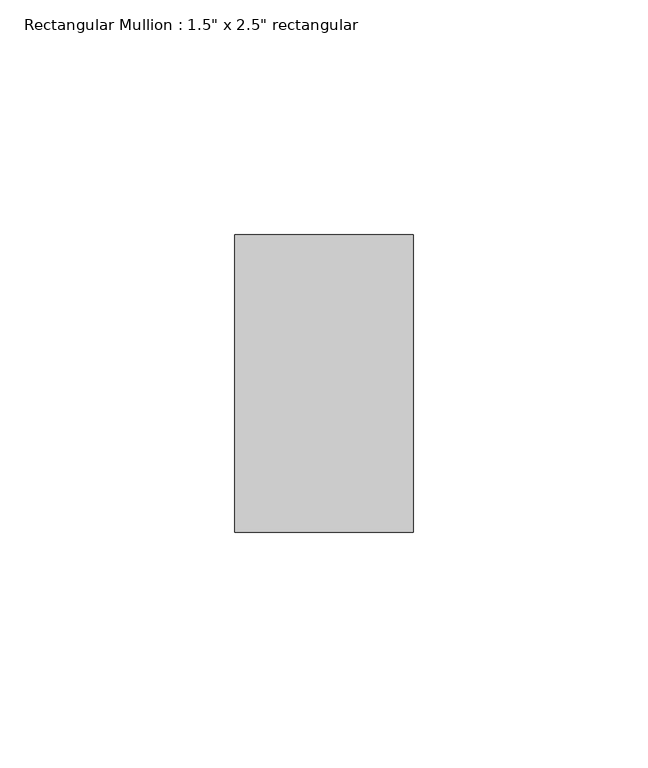
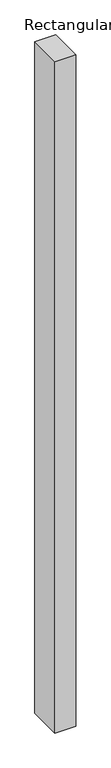
"""IFC4 building model written with IfcOpenShell, lengths in millimetres: member geometry."""

from ifc_helpers import new_model, si_unit, frame, origin, place, context, project, spatial, polyline, outline, extrude, source, transform, mapped, element, save


def member_80ee54ca(model_context):
    return source(origin(), model_context, "Body", "SweptSolid", [
        extrude(outline(polyline([(0.0, 31.75), (0.0, -31.75), (-38.1, -31.75), (-38.1, 31.75), (0.0, 31.75)])), frame((0.0, 0.0, -1295.4), z_axis=(0.0, 0.0, 1.0), x_axis=(1.0, 0.0, 0.0)), (0.0, 0.0, 1.0), 1295.4),
    ])


if __name__ == "__main__":
    model = new_model("IFC4")
    model_context = context("Model", 3, world=origin())
    ifc_project = project(units=[si_unit("LENGTHUNIT", "METRE", prefix="MILLI")], contexts=[model_context])
    site = spatial("IfcSite", under=ifc_project)
    building = spatial("IfcBuilding", under=site)
    placement = place(None, origin())
    member_shape = member_80ee54ca(model_context)
    element("IfcMember", 1, ObjectType="Rectangular Mullion : 1.5\" x 2.5\" rectangular", at=placement, inside=building, context=model_context, shape_type="MappedRepresentation", body=[
        mapped(member_shape, transform((0.0, 0.0, 0.0), x_axis=(1.0, 0.0, 0.0), y_axis=(0.0, 1.0, 0.0), z_axis=(0.0, 0.0, 1.0))),
    ])
    save(model, "model.ifc")
